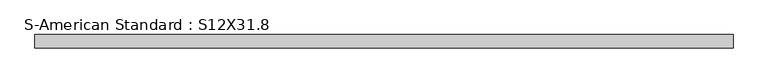
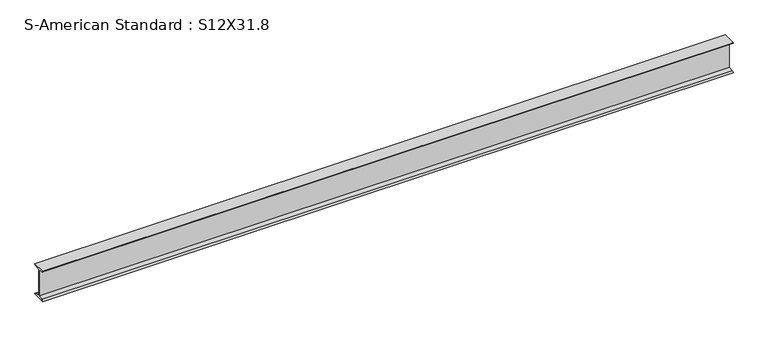
"""IFC4 building model written with IfcOpenShell, lengths in millimetres: beam geometry, S-American Standard : S12X31.8."""

from ifc_helpers import new_model, si_unit, point, frame, frame_2d, origin, place, context, project, spatial, polyline, circle_curve, trimmed, segment, composite_curve, outline, extrude, source, transform, mapped, element, save


def s_american_standard_s12x31_8_ced21b86(model_context):
    return source(origin(), model_context, "Body", "SweptSolid", [
        extrude(outline(composite_curve([segment(polyline([(-63.5, 152.4), (63.5, 152.4)]), True, "CONTINUOUS"), segment(trimmed(circle_curve(frame_2d((49.7, 152.4)), 13.8), [point((63.5, 152.4))], [point((49.7, 138.6))], False, "CARTESIAN"), True, "CONTINUOUS"), segment(polyline([(49.7, 138.6), (4.45, 131.4331041), (4.45, -131.4331041), (49.7, -138.6)]), True, "CONTINUOUS"), segment(trimmed(circle_curve(frame_2d((49.7, -152.4)), 13.8), [point((49.7, -138.6))], [point((63.5, -152.4))], False, "CARTESIAN"), True, "CONTINUOUS"), segment(polyline([(63.5, -152.4), (-63.5, -152.4)]), True, "CONTINUOUS"), segment(trimmed(circle_curve(frame_2d((-49.7, -152.4)), 13.8), [point((-63.5, -152.4))], [point((-49.7, -138.6))], False, "CARTESIAN"), True, "CONTINUOUS"), segment(polyline([(-49.7, -138.6), (-4.45, -131.4331041), (-4.45, 131.4331041), (-49.7, 138.6)]), True, "CONTINUOUS"), segment(trimmed(circle_curve(frame_2d((-49.7, 152.4)), 13.8), [point((-49.7, 138.6))], [point((-63.5, 152.4))], False, "CARTESIAN"), True, "CONTINUOUS")], self_intersect=False)), frame((-2877.6457002, 0.0, 0.0), z_axis=(1.0, 0.0, 0.0), x_axis=(0.0, 1.0, 0.0)), (0.0, 0.0, 1.0), 6549.5138922),
    ])


if __name__ == "__main__":
    model = new_model("IFC4")
    model_context = context("Model", 3, world=origin())
    ifc_project = project(units=[si_unit("LENGTHUNIT", "METRE", prefix="MILLI")], contexts=[model_context])
    site = spatial("IfcSite", under=ifc_project)
    building = spatial("IfcBuilding", under=site)
    placement = place(None, origin())
    s_american_standard_s12x31_8_shape = s_american_standard_s12x31_8_ced21b86(model_context)
    element("IfcBeam", 1, ObjectType="S-American Standard : S12X31.8", at=placement, inside=building, context=model_context, shape_type="MappedRepresentation", body=[
        mapped(s_american_standard_s12x31_8_shape, transform((0.0, 0.0, 0.0), x_axis=(1.0, 0.0, 0.0), y_axis=(0.0, 1.0, 0.0), z_axis=(0.0, 0.0, 1.0))),
    ])
    save(model, "model.ifc")
